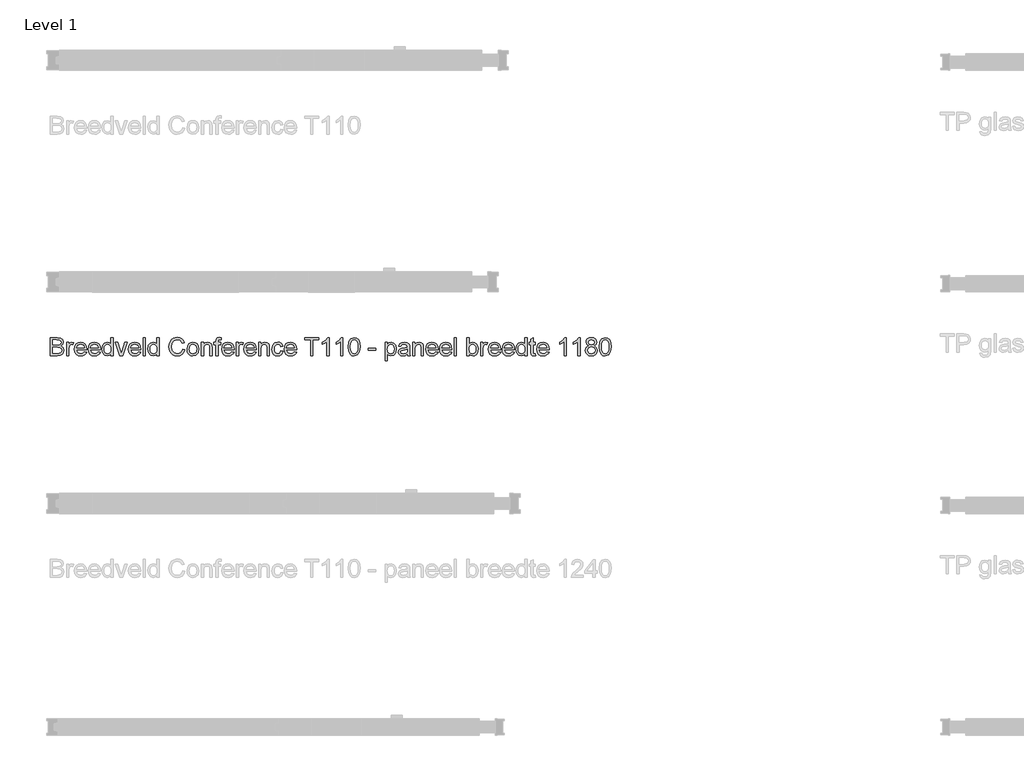
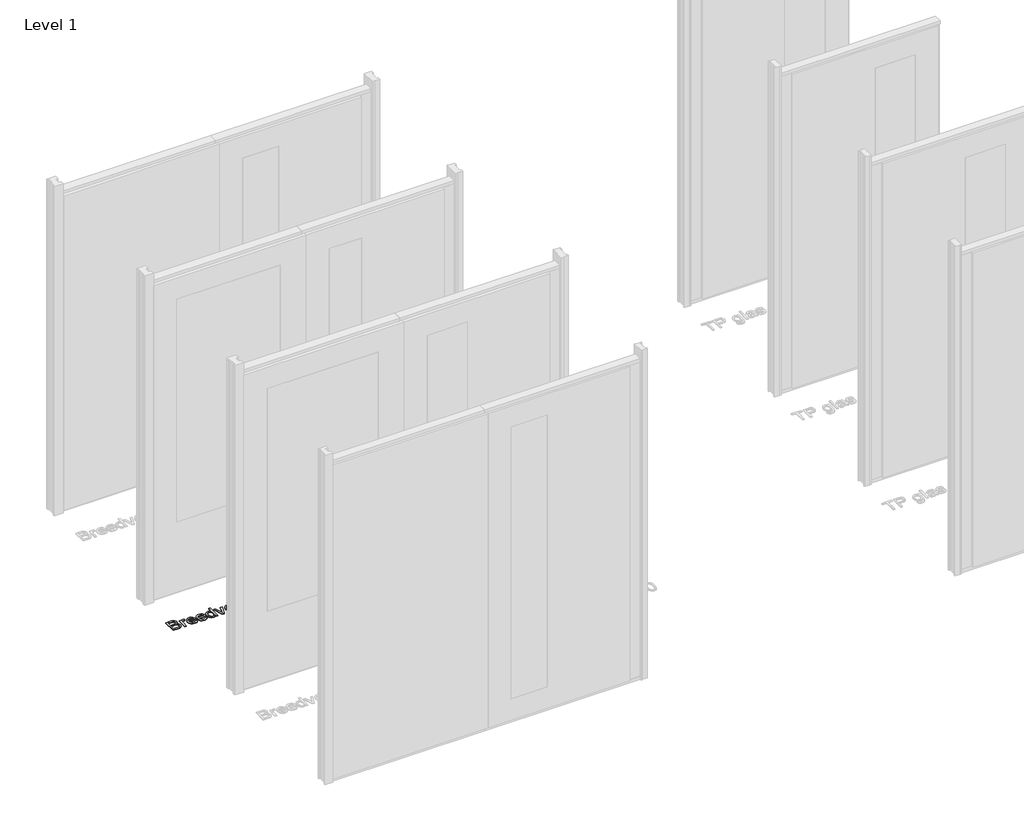
# One storey, part 7 of 17: 1 proxy.
"""IFC4 building model written with IfcOpenShell, lengths in millimetres."""

from ifc_helpers import new_model, si_unit, origin, origin_with_axes, place, context, project, spatial, polyline, outline, extrude, element, save

model = new_model("IFC4")

# Units and contexts
model_context = context("Model", 3, world=origin())
ifc_project = project(units=[si_unit("LENGTHUNIT", "METRE", prefix="MILLI")], contexts=[model_context])

# Site, building, storey
site = spatial("IfcSite", under=ifc_project)
building = spatial("IfcBuilding", under=site)
storey = spatial("IfcBuildingStorey", under=building, Name="Level 1", Elevation=0.0)

# Proxy
placement = place(None, origin())
element("IfcBuildingElementProxy", 1, Name="100 mm", ObjectType="100 mm", at=placement, inside=storey, context=model_context, shape_type="SweptSolid", body=[
    extrude(outline(polyline([(-17380.3580543, 2912.9102169), (-17380.3580543, 3011.3717554), (-17342.7859389, 3011.3717554), (-17324.3844966, 3008.4751207), (-17313.519112, 2999.5688707), (-17309.5888235, 2986.9727169), (-17312.894112, 2975.4703131), (-17322.8820927, 2966.7563707), (-17310.7546889, 2957.5736784), (-17306.5119004, 2942.2611784), (-17309.4085351, 2929.0280054), (-17316.5840158, 2919.6049284), (-17327.2931504, 2914.6049284), (-17343.0744004, 2912.9102169), (-17380.3580543, 2912.9102169)]), holes=[polyline([(-17368.050362, 2925.2179092), (-17342.8099774, 2925.2179092), (-17333.675362, 2925.6986784), (-17325.9469966, 2928.3789669), (-17320.8268043, 2933.8477169), (-17318.8195927, 2942.1409861), (-17321.175362, 2951.7082938), (-17328.8075735, 2957.4174284), (-17344.0119004, 2959.0640631), (-17368.050362, 2959.0640631), (-17368.050362, 2925.2179092)]), polyline([(-17368.050362, 2971.3717554), (-17345.5744004, 2971.3717554), (-17332.4494004, 2972.4294477), (-17324.5527658, 2976.9847361), (-17321.8965158, 2985.0015631), (-17324.3724774, 2993.0304092), (-17331.4638235, 2997.7780054), (-17347.2811312, 2999.0640631), (-17368.050362, 2999.0640631), (-17368.050362, 2971.3717554)])]), origin_with_axes(), (0.0, 0.0, 1.0), 5.0),
    extrude(outline(polyline([(-17291.1272851, 2912.9102169), (-17291.1272851, 2985.2179092), (-17280.3580543, 2985.2179092), (-17280.3580543, 2974.5207938), (-17272.7138235, 2984.3765631), (-17265.0215158, 2986.7563707), (-17252.6657466, 2982.9582938), (-17256.7763235, 2971.92464), (-17265.4301697, 2974.4486784), (-17272.3893043, 2972.0207938), (-17276.8244004, 2965.2900246), (-17278.8195927, 2950.9150246), (-17278.8195927, 2912.9102169), (-17291.1272851, 2912.9102169)])), origin_with_axes(), (0.0, 0.0, 1.0), 5.0),
    extrude(outline(polyline([(-17194.3484389, 2934.4486784), (-17182.2811312, 2932.9102169), (-17186.6290879, 2923.8176688), (-17193.5671889, 2917.0207938), (-17202.9391841, 2912.784015), (-17214.5888235, 2911.3717554), (-17229.0299293, 2913.8086544), (-17240.1417081, 2921.1193515), (-17247.2270447, 2932.8290871), (-17249.5888235, 2948.4631015), (-17247.2030062, 2964.6229573), (-17240.0455543, 2976.7082938), (-17229.0840158, 2984.2443515), (-17215.2859389, 2986.7563707), (-17201.9175495, 2984.2503611), (-17191.2354581, 2976.7323323), (-17184.2312514, 2964.6710342), (-17181.8965158, 2948.5352169), (-17181.9686312, 2945.2179092), (-17237.2811312, 2945.2179092), (-17235.1507226, 2936.0051688), (-17230.2018043, 2929.2323323), (-17214.3484389, 2923.6794477), (-17202.2811312, 2926.2515631), (-17194.3484389, 2934.4486784)]), holes=[polyline([(-17237.2811312, 2957.5256015), (-17194.2042081, 2957.5256015), (-17199.1320927, 2968.6794477), (-17206.3075735, 2973.0063707), (-17215.3340158, 2974.4486784), (-17230.4902658, 2969.8453131), (-17237.2811312, 2957.5256015)])]), origin_with_axes(), (0.0, 0.0, 1.0), 5.0),
    extrude(outline(polyline([(-17118.9638235, 2934.4486784), (-17106.8965158, 2932.9102169), (-17111.2444726, 2923.8176688), (-17118.1825735, 2917.0207938), (-17127.5545687, 2912.784015), (-17139.2042081, 2911.3717554), (-17153.6453139, 2913.8086544), (-17164.7570927, 2921.1193515), (-17171.8424293, 2932.8290871), (-17174.2042081, 2948.4631015), (-17171.8183908, 2964.6229573), (-17164.6609389, 2976.7082938), (-17153.6994004, 2984.2443515), (-17139.9013235, 2986.7563707), (-17126.5329341, 2984.2503611), (-17115.8508427, 2976.7323323), (-17108.846636, 2964.6710342), (-17106.5119004, 2948.5352169), (-17106.5840158, 2945.2179092), (-17161.8965158, 2945.2179092), (-17159.7661072, 2936.0051688), (-17154.8171889, 2929.2323323), (-17138.9638235, 2923.6794477), (-17126.8965158, 2926.2515631), (-17118.9638235, 2934.4486784)]), holes=[polyline([(-17161.8965158, 2957.5256015), (-17118.8195927, 2957.5256015), (-17123.7474774, 2968.6794477), (-17130.9229581, 2973.0063707), (-17139.9494004, 2974.4486784), (-17155.1056504, 2969.8453131), (-17161.8965158, 2957.5256015)])]), origin_with_axes(), (0.0, 0.0, 1.0), 5.0),
    extrude(outline(polyline([(-17049.5888235, 2912.9102169), (-17049.5888235, 2924.5207938), (-17057.7318524, 2914.659015), (-17068.987862, 2911.3717554), (-17084.2282466, 2916.1313707), (-17094.9974774, 2929.4126207), (-17098.8195927, 2948.9919477), (-17095.2979581, 2968.5832938), (-17084.7450735, 2982.0688707), (-17069.0359389, 2986.7563707), (-17057.6897851, 2983.4030054), (-17049.5888235, 2974.6890631), (-17049.5888235, 3011.3717554), (-17037.2811312, 3011.3717554), (-17037.2811312, 2912.9102169), (-17049.5888235, 2912.9102169)]), holes=[polyline([(-17086.5119004, 2949.0400246), (-17085.1236793, 2937.9072121), (-17080.9590158, 2929.9895438), (-17074.9073331, 2925.2569717), (-17067.8580543, 2923.6794477), (-17060.8117802, 2925.1848563), (-17054.9133427, 2929.7010823), (-17050.9199533, 2937.3122602), (-17049.5888235, 2948.1025246), (-17050.9439918, 2959.8993996), (-17055.0094966, 2968.0784861), (-17061.0581745, 2972.8561304), (-17068.362862, 2974.4486784), (-17075.4842562, 2972.9192313), (-17081.3195927, 2968.33089), (-17085.2138235, 2960.4492794), (-17086.5119004, 2949.0400246)])]), origin_with_axes(), (0.0, 0.0, 1.0), 5.0),
    extrude(outline(polyline([(-17001.0792081, 2912.9102169), (-17026.5119004, 2985.2179092), (-17013.4830543, 2985.2179092), (-16998.0744004, 2941.9006015), (-16993.4349774, 2927.3332938), (-16988.8917081, 2941.0832938), (-16973.3869004, 2985.2179092), (-16960.3580543, 2985.2179092), (-16985.4782466, 2912.9102169), (-17001.0792081, 2912.9102169)])), origin_with_axes(), (0.0, 0.0, 1.0), 5.0),
    extrude(outline(polyline([(-16898.9638235, 2934.4486784), (-16886.8965158, 2932.9102169), (-16891.2444726, 2923.8176688), (-16898.1825735, 2917.0207938), (-16907.5545687, 2912.784015), (-16919.2042081, 2911.3717554), (-16933.6453139, 2913.8086544), (-16944.7570927, 2921.1193515), (-16951.8424293, 2932.8290871), (-16954.2042081, 2948.4631015), (-16951.8183908, 2964.6229573), (-16944.6609389, 2976.7082938), (-16933.6994004, 2984.2443515), (-16919.9013235, 2986.7563707), (-16906.5329341, 2984.2503611), (-16895.8508427, 2976.7323323), (-16888.846636, 2964.6710342), (-16886.5119004, 2948.5352169), (-16886.5840158, 2945.2179092), (-16941.8965158, 2945.2179092), (-16939.7661072, 2936.0051688), (-16934.8171889, 2929.2323323), (-16918.9638235, 2923.6794477), (-16906.8965158, 2926.2515631), (-16898.9638235, 2934.4486784)]), holes=[polyline([(-16941.8965158, 2957.5256015), (-16898.8195927, 2957.5256015), (-16903.7474774, 2968.6794477), (-16910.9229581, 2973.0063707), (-16919.9494004, 2974.4486784), (-16935.1056504, 2969.8453131), (-16941.8965158, 2957.5256015)])]), origin_with_axes(), (0.0, 0.0, 1.0), 5.0),
    extrude(outline(polyline([(-16874.2042081, 2912.9102169), (-16874.2042081, 3011.3717554), (-16861.8965158, 3011.3717554), (-16861.8965158, 2912.9102169), (-16874.2042081, 2912.9102169)])), origin_with_axes(), (0.0, 0.0, 1.0), 5.0),
    extrude(outline(polyline([(-16798.8195927, 2912.9102169), (-16798.8195927, 2924.5207938), (-16806.9626216, 2914.659015), (-16818.2186312, 2911.3717554), (-16833.4590158, 2916.1313707), (-16844.2282466, 2929.4126207), (-16848.050362, 2948.9919477), (-16844.5287274, 2968.5832938), (-16833.9758427, 2982.0688707), (-16818.2667081, 2986.7563707), (-16806.9205543, 2983.4030054), (-16798.8195927, 2974.6890631), (-16798.8195927, 3011.3717554), (-16786.5119004, 3011.3717554), (-16786.5119004, 2912.9102169), (-16798.8195927, 2912.9102169)]), holes=[polyline([(-16835.7426697, 2949.0400246), (-16834.3544485, 2937.9072121), (-16830.1897851, 2929.9895438), (-16824.1381024, 2925.2569717), (-16817.0888235, 2923.6794477), (-16810.0425495, 2925.1848563), (-16804.144112, 2929.7010823), (-16800.1507226, 2937.3122602), (-16798.8195927, 2948.1025246), (-16800.174761, 2959.8993996), (-16804.2402658, 2968.0784861), (-16810.2889437, 2972.8561304), (-16817.5936312, 2974.4486784), (-16824.7150254, 2972.9192313), (-16830.550362, 2968.33089), (-16834.4445927, 2960.4492794), (-16835.7426697, 2949.0400246)])]), origin_with_axes(), (0.0, 0.0, 1.0), 5.0),
    extrude(outline(polyline([(-16658.8195927, 2947.9102169), (-16646.5119004, 2944.73714), (-16652.190987, 2930.3951929), (-16661.1032466, 2919.9174284), (-16672.8099774, 2913.5081736), (-16686.8724774, 2911.3717554), (-16701.1483187, 2912.9883419), (-16712.4854581, 2917.8381015), (-16721.175362, 2925.752765), (-16727.5094966, 2936.5640631), (-16732.6657466, 2962.8861784), (-16731.2084149, 2977.2431496), (-16726.8364197, 2989.6409861), (-16719.7781264, 2999.6860582), (-16710.2619004, 3006.9847361), (-16686.6080543, 3012.9102169), (-16673.1134629, 3010.9931496), (-16661.956612, 3005.2419477), (-16653.4860591, 2996.0111784), (-16648.050362, 2983.6554092), (-16660.3580543, 2980.7227169), (-16670.4542081, 2995.8549284), (-16687.0888235, 3000.6025246), (-16706.3436312, 2995.3381015), (-16717.2210351, 2981.2034861), (-16720.3580543, 2962.9102169), (-16716.644112, 2941.7082938), (-16705.081612, 2928.1626207), (-16688.0984389, 2923.6794477), (-16677.8250014, 2925.20589), (-16669.2643043, 2929.7852169), (-16662.8009629, 2937.3693515), (-16658.8195927, 2947.9102169)])), origin_with_axes(), (0.0, 0.0, 1.0), 5.0),
    extrude(outline(polyline([(-16634.2042081, 2949.0640631), (-16631.5419485, 2966.4979573), (-16623.5551697, 2978.7515631), (-16613.6873812, 2984.7551688), (-16601.8724774, 2986.7563707), (-16588.9427899, 2984.3194717), (-16578.6152658, 2977.0087746), (-16571.8454341, 2965.4012025), (-16569.5888235, 2950.0736784), (-16573.5792081, 2928.17464), (-16585.2018043, 2915.7828131), (-16601.8724774, 2911.3717554), (-16614.9584149, 2913.79964), (-16625.2739197, 2921.0832938), (-16631.971636, 2932.9342554), (-16634.2042081, 2949.0640631)]), holes=[polyline([(-16621.8965158, 2949.0881015), (-16620.472237, 2937.9492794), (-16616.1994004, 2930.0135823), (-16609.769112, 2925.2629813), (-16601.8724774, 2923.6794477), (-16594.0119004, 2925.2719957), (-16587.5936312, 2930.04964), (-16583.3207947, 2938.0905054), (-16581.8965158, 2949.4727169), (-16583.3298091, 2960.2870198), (-16587.6296889, 2968.1145438), (-16594.0569726, 2972.8651448), (-16601.8724774, 2974.4486784), (-16609.769112, 2972.8711544), (-16616.1994004, 2968.1385823), (-16620.472237, 2960.220914), (-16621.8965158, 2949.0881015)])]), origin_with_axes(), (0.0, 0.0, 1.0), 5.0),
    extrude(outline(polyline([(-16555.7426697, 2912.9102169), (-16555.7426697, 2985.2179092), (-16543.4349774, 2985.2179092), (-16543.4349774, 2975.1217554), (-16534.0239197, 2983.8477169), (-16521.175362, 2986.7563707), (-16509.5527658, 2984.4126207), (-16501.6200735, 2978.2587746), (-16497.9301697, 2969.2082938), (-16497.2811312, 2957.3092554), (-16497.2811312, 2912.9102169), (-16509.5888235, 2912.9102169), (-16509.5888235, 2955.6506015), (-16511.0070927, 2966.5400246), (-16516.019112, 2972.2972361), (-16524.4686312, 2974.4486784), (-16537.8219966, 2969.6169477), (-16542.0317322, 2962.6157457), (-16543.4349774, 2951.2756015), (-16543.4349774, 2912.9102169), (-16555.7426697, 2912.9102169)])), origin_with_axes(), (0.0, 0.0, 1.0), 5.0),
    extrude(outline(polyline([(-16477.2811312, 2912.9102169), (-16477.2811312, 2972.9102169), (-16488.050362, 2972.9102169), (-16488.050362, 2985.2179092), (-16477.2811312, 2985.2179092), (-16477.2811312, 2992.5015631), (-16475.9830543, 3002.7659861), (-16469.6849774, 3010.0977169), (-16457.2811312, 3012.9102169), (-16446.0551697, 3011.5640631), (-16447.8580543, 3000.0256015), (-16454.9494004, 3000.6025246), (-16462.7018043, 2998.5592554), (-16464.9734389, 2990.9390631), (-16464.9734389, 2985.2179092), (-16451.1272851, 2985.2179092), (-16451.1272851, 2972.9102169), (-16464.9734389, 2972.9102169), (-16464.9734389, 2912.9102169), (-16477.2811312, 2912.9102169)])), origin_with_axes(), (0.0, 0.0, 1.0), 5.0),
    extrude(outline(polyline([(-16389.7330543, 2934.4486784), (-16377.6657466, 2932.9102169), (-16382.0137033, 2923.8176688), (-16388.9518043, 2917.0207938), (-16398.3237995, 2912.784015), (-16409.9734389, 2911.3717554), (-16424.4145447, 2913.8086544), (-16435.5263235, 2921.1193515), (-16442.6116601, 2932.8290871), (-16444.9734389, 2948.4631015), (-16442.5876216, 2964.6229573), (-16435.4301697, 2976.7082938), (-16424.4686312, 2984.2443515), (-16410.6705543, 2986.7563707), (-16397.3021649, 2984.2503611), (-16386.6200735, 2976.7323323), (-16379.6158668, 2964.6710342), (-16377.2811312, 2948.5352169), (-16377.3532466, 2945.2179092), (-16432.6657466, 2945.2179092), (-16430.5353379, 2936.0051688), (-16425.5864197, 2929.2323323), (-16409.7330543, 2923.6794477), (-16397.6657466, 2926.2515631), (-16389.7330543, 2934.4486784)]), holes=[polyline([(-16432.6657466, 2957.5256015), (-16389.5888235, 2957.5256015), (-16394.5167081, 2968.6794477), (-16401.6921889, 2973.0063707), (-16410.7186312, 2974.4486784), (-16425.8748812, 2969.8453131), (-16432.6657466, 2957.5256015)])]), origin_with_axes(), (0.0, 0.0, 1.0), 5.0),
    extrude(outline(polyline([(-16364.9734389, 2912.9102169), (-16364.9734389, 2985.2179092), (-16354.2042081, 2985.2179092), (-16354.2042081, 2974.5207938), (-16346.5599774, 2984.3765631), (-16338.8676697, 2986.7563707), (-16326.5119004, 2982.9582938), (-16330.6224774, 2971.92464), (-16339.2763235, 2974.4486784), (-16346.2354581, 2972.0207938), (-16350.6705543, 2965.2900246), (-16352.6657466, 2950.9150246), (-16352.6657466, 2912.9102169), (-16364.9734389, 2912.9102169)])), origin_with_axes(), (0.0, 0.0, 1.0), 5.0),
    extrude(outline(polyline([(-16268.1945927, 2934.4486784), (-16256.1272851, 2932.9102169), (-16260.4752418, 2923.8176688), (-16267.4133427, 2917.0207938), (-16276.7853379, 2912.784015), (-16288.4349774, 2911.3717554), (-16302.8760831, 2913.8086544), (-16313.987862, 2921.1193515), (-16321.0731985, 2932.8290871), (-16323.4349774, 2948.4631015), (-16321.0491601, 2964.6229573), (-16313.8917081, 2976.7082938), (-16302.9301697, 2984.2443515), (-16289.1320927, 2986.7563707), (-16275.7637033, 2984.2503611), (-16265.081612, 2976.7323323), (-16258.0774052, 2964.6710342), (-16255.7426697, 2948.5352169), (-16255.8147851, 2945.2179092), (-16311.1272851, 2945.2179092), (-16308.9968764, 2936.0051688), (-16304.0479581, 2929.2323323), (-16288.1945927, 2923.6794477), (-16276.1272851, 2926.2515631), (-16268.1945927, 2934.4486784)]), holes=[polyline([(-16311.1272851, 2957.5256015), (-16268.050362, 2957.5256015), (-16272.9782466, 2968.6794477), (-16280.1537274, 2973.0063707), (-16289.1801697, 2974.4486784), (-16304.3364197, 2969.8453131), (-16311.1272851, 2957.5256015)])]), origin_with_axes(), (0.0, 0.0, 1.0), 5.0),
    extrude(outline(polyline([(-16243.4349774, 2912.9102169), (-16243.4349774, 2985.2179092), (-16231.1272851, 2985.2179092), (-16231.1272851, 2975.1217554), (-16221.7162274, 2983.8477169), (-16208.8676697, 2986.7563707), (-16197.2450735, 2984.4126207), (-16189.3123812, 2978.2587746), (-16185.6224774, 2969.2082938), (-16184.9734389, 2957.3092554), (-16184.9734389, 2912.9102169), (-16197.2811312, 2912.9102169), (-16197.2811312, 2955.6506015), (-16198.6994004, 2966.5400246), (-16203.7114197, 2972.2972361), (-16212.1609389, 2974.4486784), (-16225.5143043, 2969.6169477), (-16229.7240399, 2962.6157457), (-16231.1272851, 2951.2756015), (-16231.1272851, 2912.9102169), (-16243.4349774, 2912.9102169)])), origin_with_axes(), (0.0, 0.0, 1.0), 5.0),
    extrude(outline(polyline([(-16121.8965158, 2939.0640631), (-16109.5888235, 2937.5256015), (-16113.0203139, 2926.5790871), (-16119.4686312, 2918.3068515), (-16128.3268043, 2913.1055294), (-16138.987862, 2911.3717554), (-16152.0798091, 2913.7906256), (-16162.3171889, 2921.0472361), (-16168.924761, 2932.8230775), (-16171.1272851, 2948.79964), (-16167.3652658, 2969.2443515), (-16155.8989197, 2982.3813707), (-16139.1561312, 2986.7563707), (-16128.7564918, 2985.2539669), (-16120.4421889, 2980.7467554), (-16114.4776456, 2973.4751207), (-16111.1272851, 2963.6794477), (-16123.4349774, 2962.1409861), (-16129.144112, 2971.3597361), (-16139.0599774, 2974.4486784), (-16147.0137033, 2972.9282457), (-16153.3268043, 2968.3669477), (-16157.4463956, 2960.51839), (-16158.8195927, 2949.1361784), (-16157.4764437, 2937.6007217), (-16153.4469966, 2929.7251207), (-16147.2480783, 2925.1908659), (-16139.3965158, 2923.6794477), (-16127.7979581, 2927.4534861), (-16121.8965158, 2939.0640631)])), origin_with_axes(), (0.0, 0.0, 1.0), 5.0),
    extrude(outline(polyline([(-16048.1945927, 2934.4486784), (-16036.1272851, 2932.9102169), (-16040.4752418, 2923.8176688), (-16047.4133427, 2917.0207938), (-16056.7853379, 2912.784015), (-16068.4349774, 2911.3717554), (-16082.8760831, 2913.8086544), (-16093.987862, 2921.1193515), (-16101.0731985, 2932.8290871), (-16103.4349774, 2948.4631015), (-16101.0491601, 2964.6229573), (-16093.8917081, 2976.7082938), (-16082.9301697, 2984.2443515), (-16069.1320927, 2986.7563707), (-16055.7637033, 2984.2503611), (-16045.081612, 2976.7323323), (-16038.0774052, 2964.6710342), (-16035.7426697, 2948.5352169), (-16035.8147851, 2945.2179092), (-16091.1272851, 2945.2179092), (-16088.9968764, 2936.0051688), (-16084.0479581, 2929.2323323), (-16068.1945927, 2923.6794477), (-16056.1272851, 2926.2515631), (-16048.1945927, 2934.4486784)]), holes=[polyline([(-16091.1272851, 2957.5256015), (-16048.050362, 2957.5256015), (-16052.9782466, 2968.6794477), (-16060.1537274, 2973.0063707), (-16069.1801697, 2974.4486784), (-16084.3364197, 2969.8453131), (-16091.1272851, 2957.5256015)])]), origin_with_axes(), (0.0, 0.0, 1.0), 5.0),
    extrude(outline(polyline([(-15958.8195927, 2912.9102169), (-15958.8195927, 2999.0640631), (-15991.1272851, 2999.0640631), (-15991.1272851, 3011.3717554), (-15914.2042081, 3011.3717554), (-15914.2042081, 2999.0640631), (-15946.5119004, 2999.0640631), (-15946.5119004, 2912.9102169), (-15958.8195927, 2912.9102169)])), origin_with_axes(), (0.0, 0.0, 1.0), 5.0),
    extrude(outline(polyline([(-15858.8195927, 2912.9102169), (-15871.1272851, 2912.9102169), (-15871.1272851, 2989.6409861), (-15882.7859389, 2981.3356977), (-15895.7426697, 2975.1217554), (-15895.7426697, 2986.7563707), (-15877.7018043, 2998.2707938), (-15866.7522851, 3011.3717554), (-15858.8195927, 3011.3717554), (-15858.8195927, 2912.9102169)])), origin_with_axes(), (0.0, 0.0, 1.0), 5.0),
    extrude(outline(polyline([(-15783.4349774, 2912.9102169), (-15795.7426697, 2912.9102169), (-15795.7426697, 2989.6409861), (-15807.4013235, 2981.3356977), (-15820.3580543, 2975.1217554), (-15820.3580543, 2986.7563707), (-15802.3171889, 2998.2707938), (-15791.3676697, 3011.3717554), (-15783.4349774, 3011.3717554), (-15783.4349774, 2912.9102169)])), origin_with_axes(), (0.0, 0.0, 1.0), 5.0),
    extrude(outline(polyline([(-15754.2042081, 2961.3477169), (-15750.5864197, 2989.6770438), (-15739.8412274, 3006.0111784), (-15721.8965158, 3011.3717554), (-15707.5215158, 3008.1986784), (-15697.5936312, 2999.0520438), (-15691.8244004, 2984.4847361), (-15689.5888235, 2961.3477169), (-15693.1705543, 2933.1385823), (-15703.8796889, 2916.76839), (-15721.8965158, 2911.3717554), (-15734.6849774, 2913.7155054), (-15744.3965158, 2920.7467554), (-15751.7522851, 2937.3993996), (-15754.2042081, 2961.3477169)]), holes=[polyline([(-15741.8965158, 2961.3717554), (-15740.4542081, 2942.0117794), (-15736.1272851, 2930.8068515), (-15729.6849774, 2925.4612986), (-15721.8965158, 2923.6794477), (-15714.1080543, 2925.4673082), (-15707.6657466, 2930.83089), (-15703.3388235, 2942.0418275), (-15701.8965158, 2961.3717554), (-15703.2907466, 2980.2960342), (-15707.4734389, 2991.5881015), (-15713.9037274, 2997.1950727), (-15722.0407466, 2999.0640631), (-15729.7450735, 2997.4174284), (-15735.9349774, 2992.4775246), (-15740.4061312, 2980.4823323), (-15741.8965158, 2961.3717554)])]), origin_with_axes(), (0.0, 0.0, 1.0), 5.0),
    extrude(outline(polyline([(-15643.4349774, 2942.1409861), (-15643.4349774, 2954.4486784), (-15604.9734389, 2954.4486784), (-15604.9734389, 2942.1409861), (-15643.4349774, 2942.1409861)])), origin_with_axes(), (0.0, 0.0, 1.0), 5.0),
    extrude(outline(polyline([(-15552.6657466, 2885.2179092), (-15552.6657466, 2985.2179092), (-15540.3580543, 2985.2179092), (-15540.3580543, 2973.1506015), (-15531.8484389, 2983.3549284), (-15520.3580543, 2986.7563707), (-15504.7570927, 2981.9967554), (-15494.5647851, 2968.5832938), (-15491.1272851, 2949.6169477), (-15495.0094966, 2929.6770438), (-15506.2835351, 2916.0953131), (-15521.8484389, 2911.3717554), (-15532.5575735, 2914.5328131), (-15540.3580543, 2922.5256015), (-15540.3580543, 2885.2179092), (-15552.6657466, 2885.2179092)]), holes=[polyline([(-15540.3580543, 2948.48714), (-15539.0269245, 2937.4534861), (-15535.0335351, 2929.73714), (-15529.1411072, 2925.1938707), (-15522.112862, 2923.6794477), (-15514.9704341, 2925.2479573), (-15508.9277658, 2929.9534861), (-15504.8081745, 2937.9522842), (-15503.4349774, 2949.4006015), (-15504.7751216, 2960.3741592), (-15508.7955543, 2968.1986784), (-15514.6789677, 2972.8861784), (-15521.6080543, 2974.4486784), (-15528.5641841, 2972.7870198), (-15534.6729581, 2967.8020438), (-15538.9367802, 2959.6500006), (-15540.3580543, 2948.48714)])]), origin_with_axes(), (0.0, 0.0, 1.0), 5.0),
    extrude(outline(polyline([(-15431.1272851, 2922.1409861), (-15443.0623812, 2913.79964), (-15456.2474774, 2911.3717554), (-15466.5329341, 2912.8320919), (-15474.1200735, 2917.2131015), (-15478.7985591, 2923.8657457), (-15480.3580543, 2932.1409861), (-15478.0022851, 2941.8765631), (-15471.8123812, 2948.9438707), (-15463.1945927, 2952.9823323), (-15452.5455543, 2954.8332938), (-15431.1994004, 2959.0640631), (-15431.1272851, 2961.8044477), (-15434.5167081, 2970.8909861), (-15448.1224774, 2974.4486784), (-15460.5744004, 2972.08089), (-15466.5119004, 2963.6794477), (-15478.8195927, 2965.2179092), (-15473.4950735, 2977.23714), (-15462.7739197, 2984.2804092), (-15446.5359389, 2986.7563707), (-15431.6200735, 2984.5688707), (-15423.1945927, 2979.0760823), (-15419.4205543, 2970.7227169), (-15418.8195927, 2959.9534861), (-15418.8195927, 2944.6409861), (-15418.1945927, 2923.2587746), (-15415.7426697, 2912.9102169), (-15428.050362, 2912.9102169), (-15431.1272851, 2922.1409861)]), holes=[polyline([(-15431.1272851, 2946.7563707), (-15450.9830543, 2942.9823323), (-15461.5719966, 2940.98714), (-15466.3676697, 2937.7419477), (-15468.050362, 2933.0063707), (-15464.3844966, 2926.3477169), (-15453.6272851, 2923.6794477), (-15441.175362, 2926.6241592), (-15433.1465158, 2933.7515631), (-15431.1994004, 2943.2707938), (-15431.1272851, 2946.7563707)])]), origin_with_axes(), (0.0, 0.0, 1.0), 5.0),
    extrude(outline(polyline([(-15401.8965158, 2912.9102169), (-15401.8965158, 2985.2179092), (-15389.5888235, 2985.2179092), (-15389.5888235, 2975.1217554), (-15380.1777658, 2983.8477169), (-15367.3292081, 2986.7563707), (-15355.706612, 2984.4126207), (-15347.7739197, 2978.2587746), (-15344.0840158, 2969.2082938), (-15343.4349774, 2957.3092554), (-15343.4349774, 2912.9102169), (-15355.7426697, 2912.9102169), (-15355.7426697, 2955.6506015), (-15357.1609389, 2966.5400246), (-15362.1729581, 2972.2972361), (-15370.6224774, 2974.4486784), (-15383.9758427, 2969.6169477), (-15388.1855783, 2962.6157457), (-15389.5888235, 2951.2756015), (-15389.5888235, 2912.9102169), (-15401.8965158, 2912.9102169)])), origin_with_axes(), (0.0, 0.0, 1.0), 5.0),
    extrude(outline(polyline([(-15275.8869004, 2934.4486784), (-15263.8195927, 2932.9102169), (-15268.1675495, 2923.8176688), (-15275.1056504, 2917.0207938), (-15284.4776456, 2912.784015), (-15296.1272851, 2911.3717554), (-15310.5683908, 2913.8086544), (-15321.6801697, 2921.1193515), (-15328.7655062, 2932.8290871), (-15331.1272851, 2948.4631015), (-15328.7414677, 2964.6229573), (-15321.5840158, 2976.7082938), (-15310.6224774, 2984.2443515), (-15296.8244004, 2986.7563707), (-15283.456011, 2984.2503611), (-15272.7739197, 2976.7323323), (-15265.7697129, 2964.6710342), (-15263.4349774, 2948.5352169), (-15263.5070927, 2945.2179092), (-15318.8195927, 2945.2179092), (-15316.6891841, 2936.0051688), (-15311.7402658, 2929.2323323), (-15295.8869004, 2923.6794477), (-15283.8195927, 2926.2515631), (-15275.8869004, 2934.4486784)]), holes=[polyline([(-15318.8195927, 2957.5256015), (-15275.7426697, 2957.5256015), (-15280.6705543, 2968.6794477), (-15287.8460351, 2973.0063707), (-15296.8724774, 2974.4486784), (-15312.0287274, 2969.8453131), (-15318.8195927, 2957.5256015)])]), origin_with_axes(), (0.0, 0.0, 1.0), 5.0),
    extrude(outline(polyline([(-15200.5022851, 2934.4486784), (-15188.4349774, 2932.9102169), (-15192.7829341, 2923.8176688), (-15199.7210351, 2917.0207938), (-15209.0930302, 2912.784015), (-15220.7426697, 2911.3717554), (-15235.1837754, 2913.8086544), (-15246.2955543, 2921.1193515), (-15253.3808908, 2932.8290871), (-15255.7426697, 2948.4631015), (-15253.3568524, 2964.6229573), (-15246.1994004, 2976.7082938), (-15235.237862, 2984.2443515), (-15221.4397851, 2986.7563707), (-15208.0713956, 2984.2503611), (-15197.3893043, 2976.7323323), (-15190.3850976, 2964.6710342), (-15188.050362, 2948.5352169), (-15188.1224774, 2945.2179092), (-15243.4349774, 2945.2179092), (-15241.3045687, 2936.0051688), (-15236.3556504, 2929.2323323), (-15220.5022851, 2923.6794477), (-15208.4349774, 2926.2515631), (-15200.5022851, 2934.4486784)]), holes=[polyline([(-15243.4349774, 2957.5256015), (-15200.3580543, 2957.5256015), (-15205.2859389, 2968.6794477), (-15212.4614197, 2973.0063707), (-15221.487862, 2974.4486784), (-15236.644112, 2969.8453131), (-15243.4349774, 2957.5256015)])]), origin_with_axes(), (0.0, 0.0, 1.0), 5.0),
    extrude(outline(polyline([(-15175.7426697, 2912.9102169), (-15175.7426697, 3011.3717554), (-15163.4349774, 3011.3717554), (-15163.4349774, 2912.9102169), (-15175.7426697, 2912.9102169)])), origin_with_axes(), (0.0, 0.0, 1.0), 5.0),
    extrude(outline(polyline([(-15094.2042081, 2912.9102169), (-15106.5119004, 2912.9102169), (-15106.5119004, 3011.3717554), (-15094.2042081, 3011.3717554), (-15094.2042081, 2974.8573323), (-15085.5864197, 2983.7816111), (-15074.8772851, 2986.7563707), (-15062.5455543, 2984.0760823), (-15052.9782466, 2976.5400246), (-15047.1008427, 2964.8212746), (-15044.9734389, 2950.1457938), (-15047.1759629, 2933.7155054), (-15053.7835351, 2921.4919477), (-15063.4800495, 2913.9018034), (-15074.9494004, 2911.3717554), (-15085.8929101, 2914.6349765), (-15094.2042081, 2924.42464), (-15094.2042081, 2912.9102169)]), holes=[polyline([(-15094.2042081, 2949.5688707), (-15090.8388235, 2932.3573323), (-15084.3905062, 2925.8489188), (-15076.0070927, 2923.6794477), (-15068.9037274, 2925.2780054), (-15062.8340158, 2930.0736784), (-15058.6693524, 2938.0364188), (-15057.2811312, 2949.1361784), (-15058.612261, 2960.3981977), (-15062.6056504, 2968.2707938), (-15068.4860591, 2972.9042073), (-15075.4782466, 2974.4486784), (-15082.581612, 2972.8501207), (-15088.6513235, 2968.0544477), (-15092.815987, 2960.2359381), (-15094.2042081, 2949.5688707)])]), origin_with_axes(), (0.0, 0.0, 1.0), 5.0),
    extrude(outline(polyline([(-15031.1272851, 2912.9102169), (-15031.1272851, 2985.2179092), (-15020.3580543, 2985.2179092), (-15020.3580543, 2974.5207938), (-15012.7138235, 2984.3765631), (-15005.0215158, 2986.7563707), (-14992.6657466, 2982.9582938), (-14996.7763235, 2971.92464), (-15005.4301697, 2974.4486784), (-15012.3893043, 2972.0207938), (-15016.8244004, 2965.2900246), (-15018.8195927, 2950.9150246), (-15018.8195927, 2912.9102169), (-15031.1272851, 2912.9102169)])), origin_with_axes(), (0.0, 0.0, 1.0), 5.0),
    extrude(outline(polyline([(-14934.3484389, 2934.4486784), (-14922.2811312, 2932.9102169), (-14926.6290879, 2923.8176688), (-14933.5671889, 2917.0207938), (-14942.9391841, 2912.784015), (-14954.5888235, 2911.3717554), (-14969.0299293, 2913.8086544), (-14980.1417081, 2921.1193515), (-14987.2270447, 2932.8290871), (-14989.5888235, 2948.4631015), (-14987.2030062, 2964.6229573), (-14980.0455543, 2976.7082938), (-14969.0840158, 2984.2443515), (-14955.2859389, 2986.7563707), (-14941.9175495, 2984.2503611), (-14931.2354581, 2976.7323323), (-14924.2312514, 2964.6710342), (-14921.8965158, 2948.5352169), (-14921.9686312, 2945.2179092), (-14977.2811312, 2945.2179092), (-14975.1507226, 2936.0051688), (-14970.2018043, 2929.2323323), (-14954.3484389, 2923.6794477), (-14942.2811312, 2926.2515631), (-14934.3484389, 2934.4486784)]), holes=[polyline([(-14977.2811312, 2957.5256015), (-14934.2042081, 2957.5256015), (-14939.1320927, 2968.6794477), (-14946.3075735, 2973.0063707), (-14955.3340158, 2974.4486784), (-14970.4902658, 2969.8453131), (-14977.2811312, 2957.5256015)])]), origin_with_axes(), (0.0, 0.0, 1.0), 5.0),
    extrude(outline(polyline([(-14858.9638235, 2934.4486784), (-14846.8965158, 2932.9102169), (-14851.2444726, 2923.8176688), (-14858.1825735, 2917.0207938), (-14867.5545687, 2912.784015), (-14879.2042081, 2911.3717554), (-14893.6453139, 2913.8086544), (-14904.7570927, 2921.1193515), (-14911.8424293, 2932.8290871), (-14914.2042081, 2948.4631015), (-14911.8183908, 2964.6229573), (-14904.6609389, 2976.7082938), (-14893.6994004, 2984.2443515), (-14879.9013235, 2986.7563707), (-14866.5329341, 2984.2503611), (-14855.8508427, 2976.7323323), (-14848.846636, 2964.6710342), (-14846.5119004, 2948.5352169), (-14846.5840158, 2945.2179092), (-14901.8965158, 2945.2179092), (-14899.7661072, 2936.0051688), (-14894.8171889, 2929.2323323), (-14878.9638235, 2923.6794477), (-14866.8965158, 2926.2515631), (-14858.9638235, 2934.4486784)]), holes=[polyline([(-14901.8965158, 2957.5256015), (-14858.8195927, 2957.5256015), (-14863.7474774, 2968.6794477), (-14870.9229581, 2973.0063707), (-14879.9494004, 2974.4486784), (-14895.1056504, 2969.8453131), (-14901.8965158, 2957.5256015)])]), origin_with_axes(), (0.0, 0.0, 1.0), 5.0),
    extrude(outline(polyline([(-14789.5888235, 2912.9102169), (-14789.5888235, 2924.5207938), (-14797.7318524, 2914.659015), (-14808.987862, 2911.3717554), (-14824.2282466, 2916.1313707), (-14834.9974774, 2929.4126207), (-14838.8195927, 2948.9919477), (-14835.2979581, 2968.5832938), (-14824.7450735, 2982.0688707), (-14809.0359389, 2986.7563707), (-14797.6897851, 2983.4030054), (-14789.5888235, 2974.6890631), (-14789.5888235, 3011.3717554), (-14777.2811312, 3011.3717554), (-14777.2811312, 2912.9102169), (-14789.5888235, 2912.9102169)]), holes=[polyline([(-14826.5119004, 2949.0400246), (-14825.1236793, 2937.9072121), (-14820.9590158, 2929.9895438), (-14814.9073331, 2925.2569717), (-14807.8580543, 2923.6794477), (-14800.8117802, 2925.1848563), (-14794.9133427, 2929.7010823), (-14790.9199533, 2937.3122602), (-14789.5888235, 2948.1025246), (-14790.9439918, 2959.8993996), (-14795.0094966, 2968.0784861), (-14801.0581745, 2972.8561304), (-14808.362862, 2974.4486784), (-14815.4842562, 2972.9192313), (-14821.3195927, 2968.33089), (-14825.2138235, 2960.4492794), (-14826.5119004, 2949.0400246)])]), origin_with_axes(), (0.0, 0.0, 1.0), 5.0),
    extrude(outline(polyline([(-14732.6657466, 2923.17464), (-14731.1272851, 2912.54964), (-14740.3340158, 2911.3717554), (-14750.6465158, 2913.4150246), (-14755.7907466, 2918.7756015), (-14757.2811312, 2932.7419477), (-14757.2811312, 2972.9102169), (-14766.5119004, 2972.9102169), (-14766.5119004, 2985.2179092), (-14757.2811312, 2985.2179092), (-14757.2811312, 3002.7900246), (-14744.9734389, 3010.0256015), (-14744.9734389, 2985.2179092), (-14732.6657466, 2985.2179092), (-14732.6657466, 2972.9102169), (-14744.9734389, 2972.9102169), (-14744.9734389, 2933.1025246), (-14744.3244004, 2926.7563707), (-14742.2210351, 2924.5087746), (-14738.0263235, 2923.6794477), (-14732.6657466, 2923.17464)])), origin_with_axes(), (0.0, 0.0, 1.0), 5.0),
    extrude(outline(polyline([(-14669.7330543, 2934.4486784), (-14657.6657466, 2932.9102169), (-14662.0137033, 2923.8176688), (-14668.9518043, 2917.0207938), (-14678.3237995, 2912.784015), (-14689.9734389, 2911.3717554), (-14704.4145447, 2913.8086544), (-14715.5263235, 2921.1193515), (-14722.6116601, 2932.8290871), (-14724.9734389, 2948.4631015), (-14722.5876216, 2964.6229573), (-14715.4301697, 2976.7082938), (-14704.4686312, 2984.2443515), (-14690.6705543, 2986.7563707), (-14677.3021649, 2984.2503611), (-14666.6200735, 2976.7323323), (-14659.6158668, 2964.6710342), (-14657.2811312, 2948.5352169), (-14657.3532466, 2945.2179092), (-14712.6657466, 2945.2179092), (-14710.5353379, 2936.0051688), (-14705.5864197, 2929.2323323), (-14689.7330543, 2923.6794477), (-14677.6657466, 2926.2515631), (-14669.7330543, 2934.4486784)]), holes=[polyline([(-14712.6657466, 2957.5256015), (-14669.5888235, 2957.5256015), (-14674.5167081, 2968.6794477), (-14681.6921889, 2973.0063707), (-14690.7186312, 2974.4486784), (-14705.8748812, 2969.8453131), (-14712.6657466, 2957.5256015)])]), origin_with_axes(), (0.0, 0.0, 1.0), 5.0),
    extrude(outline(polyline([(-14563.4349774, 2912.9102169), (-14575.7426697, 2912.9102169), (-14575.7426697, 2989.6409861), (-14587.4013235, 2981.3356977), (-14600.3580543, 2975.1217554), (-14600.3580543, 2986.7563707), (-14582.3171889, 2998.2707938), (-14571.3676697, 3011.3717554), (-14563.4349774, 3011.3717554), (-14563.4349774, 2912.9102169)])), origin_with_axes(), (0.0, 0.0, 1.0), 5.0),
    extrude(outline(polyline([(-14488.050362, 2912.9102169), (-14500.3580543, 2912.9102169), (-14500.3580543, 2989.6409861), (-14512.0167081, 2981.3356977), (-14524.9734389, 2975.1217554), (-14524.9734389, 2986.7563707), (-14506.9325735, 2998.2707938), (-14495.9830543, 3011.3717554), (-14488.050362, 3011.3717554), (-14488.050362, 2912.9102169)])), origin_with_axes(), (0.0, 0.0, 1.0), 5.0),
    extrude(outline(polyline([(-14440.8869004, 2967.1409861), (-14452.1008427, 2974.7852169), (-14455.7426697, 2986.6842554), (-14453.7594966, 2996.3056496), (-14447.8099774, 3004.2563707), (-14438.5611793, 3009.5929092), (-14426.6801697, 3011.3717554), (-14414.7270447, 3009.5508419), (-14405.3580543, 3004.0881015), (-14399.300362, 2996.0111784), (-14397.2811312, 2986.3477169), (-14400.8748812, 2974.7491592), (-14411.7763235, 2967.1409861), (-14398.6873812, 2957.4895438), (-14394.2042081, 2941.5640631), (-14396.4277658, 2929.7972361), (-14403.0984389, 2920.0736784), (-14413.3989197, 2913.5472361), (-14426.5119004, 2911.3717554), (-14439.6248812, 2913.5562506), (-14449.925362, 2920.1097361), (-14456.5960351, 2929.9264429), (-14458.8195927, 2941.9006015), (-14454.1561312, 2958.1986784), (-14440.8869004, 2967.1409861)]), holes=[polyline([(-14443.4349774, 2986.3236784), (-14439.0719966, 2976.6602169), (-14426.3676697, 2972.9102169), (-14413.9157466, 2976.6361784), (-14409.5888235, 2985.7707938), (-14414.0599774, 2995.2299284), (-14426.5119004, 2999.0640631), (-14438.9998812, 2995.3140631), (-14443.4349774, 2986.3236784)]), polyline([(-14446.5119004, 2942.3332938), (-14444.456612, 2933.0664669), (-14437.1849774, 2926.1313707), (-14426.4157466, 2923.6794477), (-14411.7522851, 2928.8356977), (-14406.5119004, 2941.9486784), (-14411.9205543, 2955.3140631), (-14418.3508427, 2959.2804092), (-14426.8244004, 2960.6025246), (-14441.3075735, 2955.3861784), (-14446.5119004, 2942.3332938)])]), origin_with_axes(), (0.0, 0.0, 1.0), 5.0),
    extrude(outline(polyline([(-14383.4349774, 2961.3477169), (-14379.8171889, 2989.6770438), (-14369.0719966, 3006.0111784), (-14351.1272851, 3011.3717554), (-14336.7522851, 3008.1986784), (-14326.8244004, 2999.0520438), (-14321.0551697, 2984.4847361), (-14318.8195927, 2961.3477169), (-14322.4013235, 2933.1385823), (-14333.1104581, 2916.76839), (-14351.1272851, 2911.3717554), (-14363.9157466, 2913.7155054), (-14373.6272851, 2920.7467554), (-14380.9830543, 2937.3993996), (-14383.4349774, 2961.3477169)]), holes=[polyline([(-14371.1272851, 2961.3717554), (-14369.6849774, 2942.0117794), (-14365.3580543, 2930.8068515), (-14358.9157466, 2925.4612986), (-14351.1272851, 2923.6794477), (-14343.3388235, 2925.4673082), (-14336.8965158, 2930.83089), (-14332.5695927, 2942.0418275), (-14331.1272851, 2961.3717554), (-14332.5215158, 2980.2960342), (-14336.7042081, 2991.5881015), (-14343.1344966, 2997.1950727), (-14351.2715158, 2999.0640631), (-14358.9758427, 2997.4174284), (-14365.1657466, 2992.4775246), (-14369.6369004, 2980.4823323), (-14371.1272851, 2961.3717554)])]), origin_with_axes(), (0.0, 0.0, 1.0), 5.0),
])

save(model, "model.ifc")
